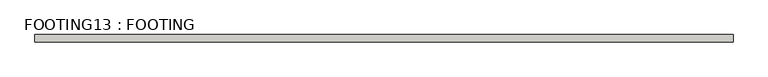
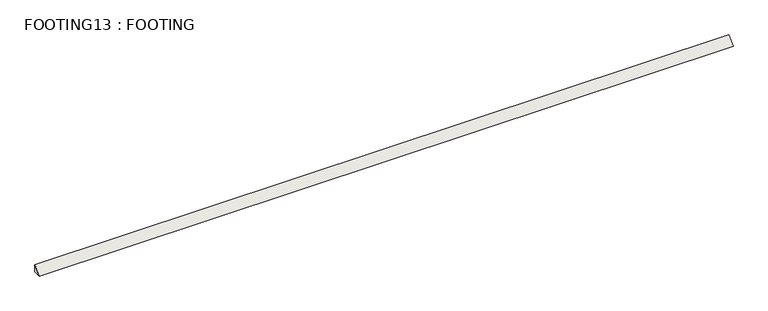
"""IFC4 building model written with IfcOpenShell, lengths in millimetres: wall geometry, FOOTING13 : FOOTING."""

from ifc_helpers import new_model, si_unit, frame, origin, place, context, project, spatial, polyline, outline, extrude, source, transform, mapped, element, save


def footing13_footing_f8b89acb(model_context):
    return source(origin(), model_context, "Body", "SweptSolid", [
        extrude(outline(polyline([(3150.6152891, -166.4151281), (3150.6152891, -193.675), (3123.3554171, -193.675), (3150.6152891, -166.4151281)])), frame((-1972.1785982, 0.0, 0.0), z_axis=(1.0, 0.0, 0.0), x_axis=(0.0, 1.0, 0.0)), (0.0, 0.0, 1.0), 2540.0),
    ])


if __name__ == "__main__":
    model = new_model("IFC4")
    model_context = context("Model", 3, world=origin())
    ifc_project = project(units=[si_unit("LENGTHUNIT", "METRE", prefix="MILLI")], contexts=[model_context])
    site = spatial("IfcSite", under=ifc_project)
    building = spatial("IfcBuilding", under=site)
    placement = place(None, origin())
    footing13_footing_shape = footing13_footing_f8b89acb(model_context)
    element("IfcWall", 1, ObjectType="FOOTING13 : FOOTING", at=placement, inside=building, context=model_context, shape_type="MappedRepresentation", body=[
        mapped(footing13_footing_shape, transform((0.0, 0.0, 0.0), x_axis=(1.0, 0.0, 0.0), y_axis=(0.0, 1.0, 0.0), z_axis=(0.0, 0.0, 1.0))),
    ])
    save(model, "model.ifc")
